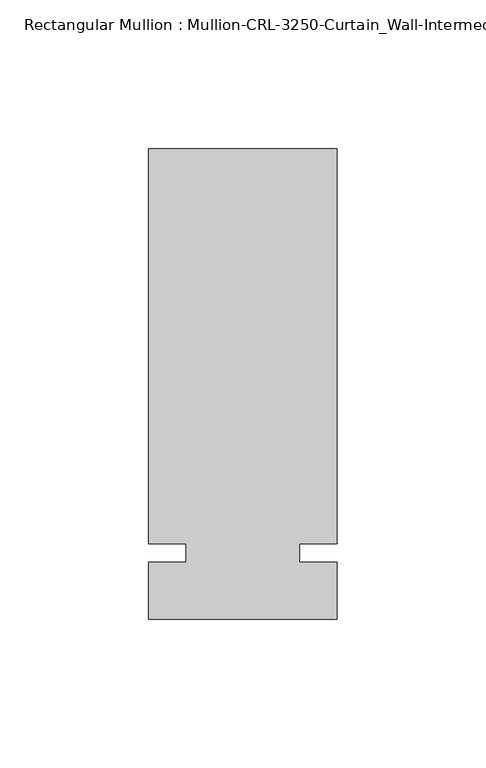
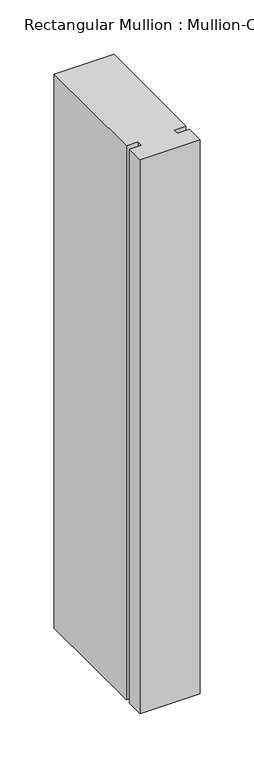
"""IFC4 building model written with IfcOpenShell, lengths in millimetres: member geometry."""

from ifc_helpers import new_model, si_unit, frame, origin, place, context, project, spatial, polyline, outline, extrude, source, transform, mapped, element, save


def member_8d0ca23e(model_context):
    return source(origin(), model_context, "Body", "SweptSolid", [
        extrude(outline(polyline([(31.7499985, -3.175), (31.7499985, -22.2254168), (-31.7499985, -22.2254168), (-31.7499985, -3.175), (-19.0499985, -3.175), (-19.0499985, 3.175), (-31.7499985, 3.175), (-31.7499985, 136.0175642), (31.7499985, 136.0175642), (31.7499985, 3.175), (19.0499985, 3.175), (19.0499985, -3.175), (31.7499985, -3.175)])), frame((0.0, 0.0, -622.300003), z_axis=(0.0, 0.0, 1.0), x_axis=(1.0, 0.0, 0.0)), (0.0, 0.0, 1.0), 622.300003),
    ])


if __name__ == "__main__":
    model = new_model("IFC4")
    model_context = context("Model", 3, world=origin())
    ifc_project = project(units=[si_unit("LENGTHUNIT", "METRE", prefix="MILLI")], contexts=[model_context])
    site = spatial("IfcSite", under=ifc_project)
    building = spatial("IfcBuilding", under=site)
    placement = place(None, origin())
    member_shape = member_8d0ca23e(model_context)
    element("IfcMember", 1, ObjectType="Rectangular Mullion : Mullion-CRL-3250-Curtain_Wall-Intermediate_Horizontal-5\"", at=placement, inside=building, context=model_context, shape_type="MappedRepresentation", body=[
        mapped(member_shape, transform((0.0, 0.0, 0.0), x_axis=(1.0, 0.0, 0.0), y_axis=(0.0, 1.0, 0.0), z_axis=(0.0, 0.0, 1.0))),
    ])
    save(model, "model.ifc")
